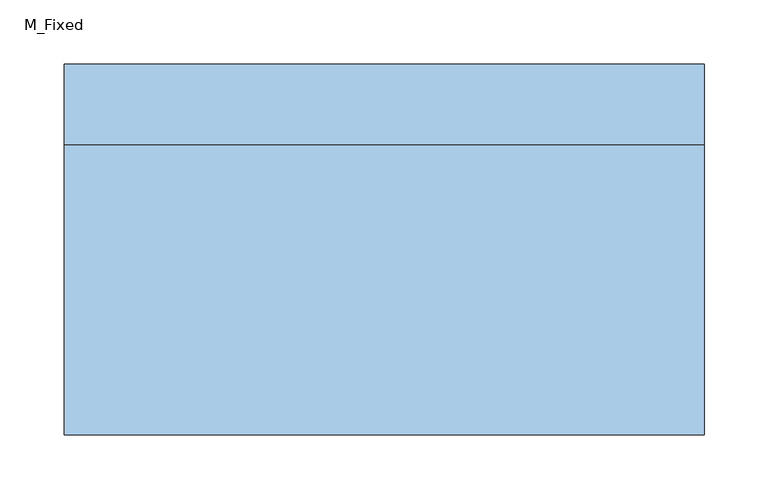
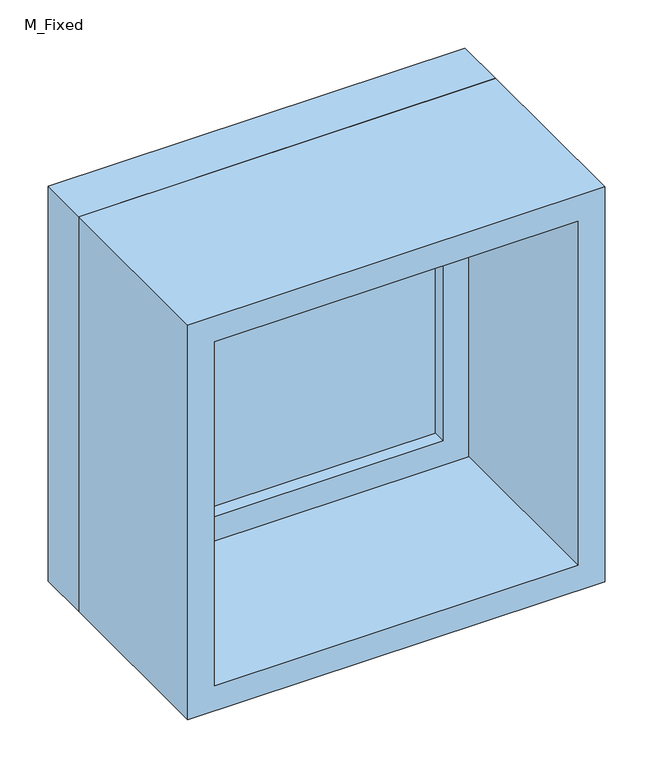
"""IFC4 building model written with IfcOpenShell, lengths in millimetres: window geometry, M_Fixed."""

from ifc_helpers import new_model, si_unit, frame, origin, place, context, project, spatial, polyline, outline, extrude, source, transform, mapped, element, save


def m_fixed_cb13f4d5(model_context):
    return source(origin(), model_context, "Body", "SweptSolid", [
        extrude(outline(polyline([(-187.0, 123.0), (187.0, 123.0), (187.0, 111.0), (-187.0, 111.0), (-187.0, 123.0)])), frame((0.0, 0.0, 163.0), z_axis=(0.0, 0.0, 1.0), x_axis=(1.0, 0.0, 0.0)), (0.0, 0.0, 1.0), 374.0),
        extrude(outline(polyline([(581.0, -231.0), (119.0, -231.0), (119.0, 231.0), (581.0, 231.0), (581.0, -231.0)]), holes=[polyline([(537.0, -187.0), (537.0, 187.0), (163.0, 187.0), (163.0, -187.0), (537.0, -187.0)])]), frame((0.0, 95.0, 0.0), z_axis=(0.0, 1.0, 0.0), x_axis=(0.0, 0.0, 1.0)), (0.0, 0.0, 1.0), 44.0),
        extrude(outline(polyline([(600.0, -250.0), (100.0, -250.0), (100.0, 250.0), (600.0, 250.0), (600.0, -250.0)]), holes=[polyline([(581.0, -231.0), (581.0, 231.0), (119.0, 231.0), (119.0, -231.0), (581.0, -231.0)])]), frame((0.0, 95.0, 0.0), z_axis=(0.0, 1.0, 0.0), x_axis=(0.0, 0.0, 1.0)), (0.0, 0.0, 1.0), 63.0),
        extrude(outline(polyline([(600.0, -250.0), (100.0, -250.0), (100.0, 250.0), (600.0, 250.0), (600.0, -250.0)]), holes=[polyline([(568.0, -218.0), (568.0, 218.0), (132.0, 218.0), (132.0, -218.0), (568.0, -218.0)])]), frame((0.0, -132.0, 0.0), z_axis=(0.0, 1.0, 0.0), x_axis=(0.0, 0.0, 1.0)), (0.0, 0.0, 1.0), 227.0),
    ])


if __name__ == "__main__":
    model = new_model("IFC4")
    model_context = context("Model", 3, world=origin())
    ifc_project = project(units=[si_unit("LENGTHUNIT", "METRE", prefix="MILLI")], contexts=[model_context])
    site = spatial("IfcSite", under=ifc_project)
    building = spatial("IfcBuilding", under=site)
    placement = place(None, origin())
    m_fixed_shape = m_fixed_cb13f4d5(model_context)
    element("IfcWindow", 1, ObjectType="M_Fixed", at=placement, inside=building, context=model_context, shape_type="MappedRepresentation", body=[
        mapped(m_fixed_shape, transform((0.0, 0.0, 0.0), x_axis=(1.0, 0.0, 0.0), y_axis=(0.0, 1.0, 0.0), z_axis=(0.0, 0.0, 1.0))),
    ])
    save(model, "model.ifc")
